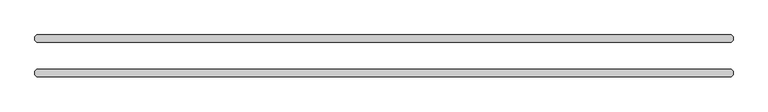
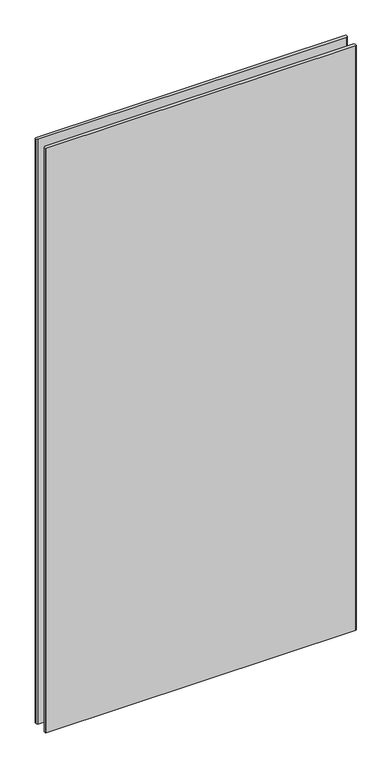
"""IFC4 building model written with IfcOpenShell, lengths in millimetres: plate geometry."""

from ifc_helpers import new_model, si_unit, origin, origin_with_axes, place, context, project, spatial, polyline, outline, extrude, source, transform, mapped, element, save


def plate_0f651532(model_context):
    return source(origin(), model_context, "Body", "SweptSolid", [
        extrude(outline(polyline([(608.0125, -36.5125), (-608.0125, -36.5125), (-611.1875, -33.3375), (-611.1875, -26.9875), (-608.0125, -23.8125), (608.0125, -23.8125), (611.1875, -26.9875), (611.1875, -33.3375), (608.0125, -36.5125)])), origin_with_axes(), (0.0, 0.0, 1.0), 2428.7789267),
        extrude(outline(polyline([(608.0125, 23.8125), (-608.0125, 23.8125), (-611.1875, 26.9875), (-611.1875, 33.3375), (-608.0125, 36.5125), (608.0125, 36.5125), (611.1875, 33.3375), (611.1875, 26.9875), (608.0125, 23.8125)])), origin_with_axes(), (0.0, 0.0, 1.0), 2428.7789267),
    ])


if __name__ == "__main__":
    model = new_model("IFC4")
    model_context = context("Model", 3, world=origin())
    ifc_project = project(units=[si_unit("LENGTHUNIT", "METRE", prefix="MILLI")], contexts=[model_context])
    site = spatial("IfcSite", under=ifc_project)
    building = spatial("IfcBuilding", under=site)
    placement = place(None, origin())
    plate_shape = plate_0f651532(model_context)
    element("IfcPlate", 1, at=placement, inside=building, context=model_context, shape_type="MappedRepresentation", body=[
        mapped(plate_shape, transform((0.0, 0.0, 0.0), x_axis=(1.0, 0.0, 0.0), y_axis=(0.0, 1.0, 0.0), z_axis=(0.0, 0.0, 1.0))),
    ])
    save(model, "model.ifc")
